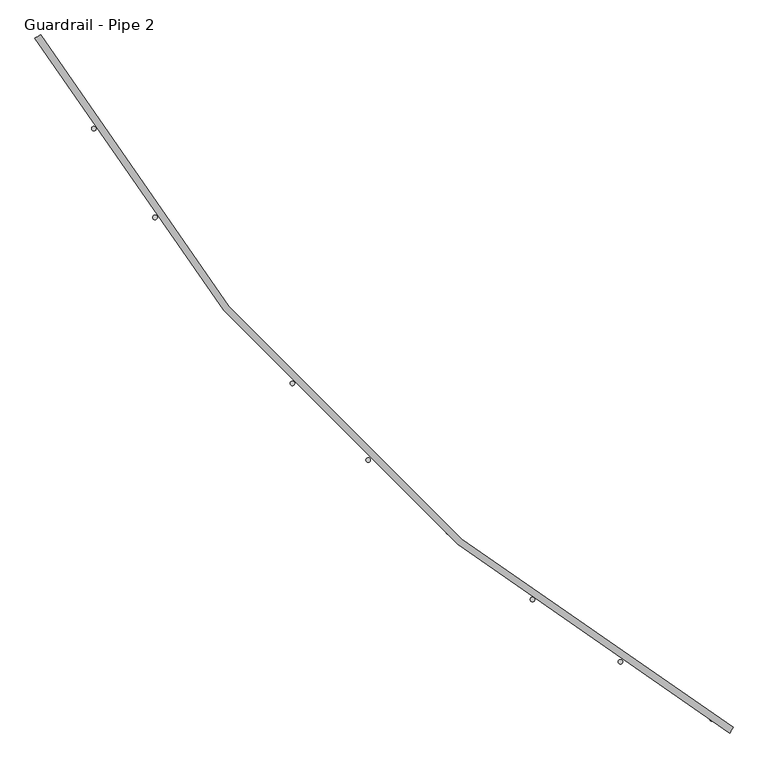
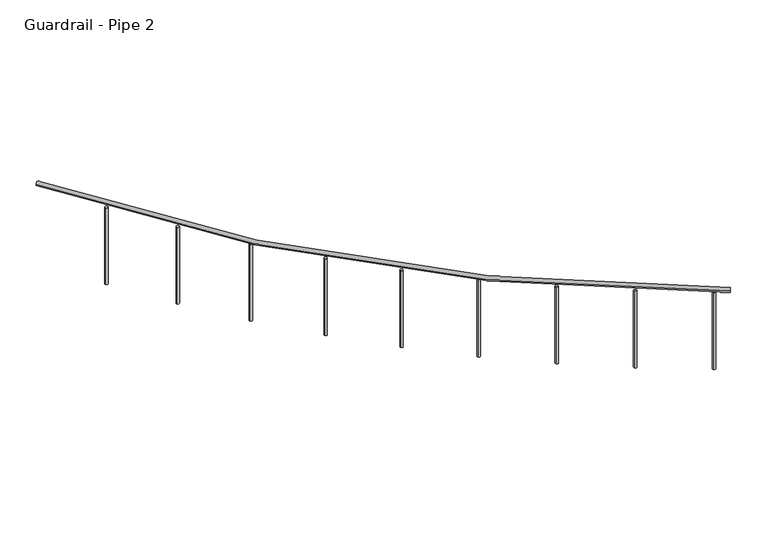
"""IFC4 building model written with IfcOpenShell, lengths in millimetres: railing geometry, Guardrail - Pipe 2."""

from ifc_helpers import new_model, si_unit, point, frame, frame_2d, origin, place, context, project, spatial, circle_curve, ellipse_curve, trimmed, segment, composite_curve, outline, extrude, source, transform, mapped, element, save
from ifc_brep_helpers import plane_surface, revolved_surface, advanced_brep


def guardrail_pipe_2_754d4e25(model_context):
    return source(origin(), model_context, "Body", "SolidModel", [
        advanced_brep(
        [(187463.6469043, -398908.6815234, 5518.15), (183534.5519665, -394979.5865857, 5518.15), (183567.6815603, -394960.7706346, 5518.15), (187482.4628553, -398875.5519296, 5518.15)],
        [
            (0, 1, circle_curve(frame((192628.6254676, -389814.6080223, 5518.15), z_axis=(0.0, 0.0, -1.0), x_axis=(-0.8695431446408594, -0.4938569829496041, 0.0)), 10458.45)),
            (1, 2, circle_curve(frame((183551.1167634, -394970.1786101, 5518.15), z_axis=(0.49385698294961566, -0.8695431446408528, 0.0), x_axis=(0.8695431446408528, 0.49385698294961566, 0.0)), 19.05)),
            (2, 3, circle_curve(frame((192628.6254676, -389814.6080223, 5518.15), z_axis=(0.0, 0.0, 1.0), x_axis=(-0.8695431446408594, -0.4938569829496041, 0.0)), 10420.35)),
            (3, 0, circle_curve(frame((187473.0548798, -398892.1167265, 5518.15), z_axis=(-0.8695431446408659, 0.49385698294959285, 0.0), x_axis=(0.49385698294959285, 0.8695431446408659, 0.0)), 19.05)),
            (2, 1, circle_curve(frame((183551.1167634, -394970.1786101, 5518.15), z_axis=(0.4938569829496099, -0.869543144640856, 0.0), x_axis=(0.869543144640856, 0.4938569829496099, 0.0)), 19.05)),
            (0, 3, circle_curve(frame((187473.0548798, -398892.1167265, 5518.15), z_axis=(-0.869543144640867, 0.4938569829495904, 0.0), x_axis=(0.4938569829495904, 0.869543144640867, 0.0)), 19.05)),
        ],
        [
            revolved_surface(trimmed(ellipse_curve(frame((183551.1167634, -394970.1786101, 5518.15), z_axis=(-0.4938569829496041, 0.8695431446408594, 0.0), x_axis=(0.8695431446408594, 0.4938569829496041, 0.0)), 19.05, 19.05), [point((183567.6815603, -394960.7706346, 5518.15))], [point((183534.5519665, -394979.5865857, 5518.15))], True, "CARTESIAN"), (192628.6254676, -389814.6080223, 5537.2), (0.0, 0.0, 1.0)),
            revolved_surface(trimmed(ellipse_curve(frame((183551.1167634, -394970.1786101, 5518.15), z_axis=(-0.4938569829496041, 0.8695431446408594, 0.0), x_axis=(0.8695431446408594, 0.4938569829496041, 0.0)), 19.05, 19.05), [point((183534.5519665, -394979.5865857, 5518.15))], [point((183567.6815603, -394960.7706346, 5518.15))], True, "CARTESIAN"), (192628.6254676, -389814.6080223, 5537.2), (0.0, 0.0, 1.0)),
            plane_surface(frame((183551.1167634, -394970.1786101, 5537.2), z_axis=(-0.4938569829496041, 0.8695431446408594, 0.0), x_axis=(0.8695431446408594, 0.4938569829496041, 0.0))),
            plane_surface(frame((187473.0548798, -398892.1167265, 5537.2), z_axis=(0.8695431446408617, -0.4938569829496002, 0.0), x_axis=(0.4938569829496002, 0.8695431446408617, 0.0))),
        ],
        [
            (0, [[1, 2, 3, 4]]),
            (1, [[-3, 5, -1, 6]]),
            (2, [[-5, -2]]),
            (3, [[-4, -6]]),
        ],
    ),
        extrude(outline(composite_curve([segment(trimmed(circle_curve(frame_2d((187362.6127017, -398828.4963015)), 12.7), [point((187356.2063602, -398839.4621024))], [point((187369.0190433, -398817.5305007))], False, "CARTESIAN"), True, "CONTINUOUS"), segment(trimmed(circle_curve(frame_2d((187362.6127017, -398828.4963015)), 12.7), [point((187369.0190433, -398817.5305007))], [point((187356.2063602, -398839.4621024))], False, "CARTESIAN"), True, "CONTINUOUS")], self_intersect=False)), frame((0.0, 0.0, 4775.2), z_axis=(0.0, 0.0, 1.0), x_axis=(1.0, 0.0, 0.0)), (0.0, 0.0, 1.0), 723.9),
        extrude(outline(composite_curve([segment(trimmed(circle_curve(frame_2d((186845.529027, -398505.8028722)), 12.7), [point((186838.4936299, -398516.376102))], [point((186852.5644241, -398495.2296425))], False, "CARTESIAN"), True, "CONTINUOUS"), segment(trimmed(circle_curve(frame_2d((186845.529027, -398505.8028722)), 12.7), [point((186852.5644241, -398495.2296425))], [point((186838.4936299, -398516.376102))], False, "CARTESIAN"), True, "CONTINUOUS")], self_intersect=False)), frame((0.0, 0.0, 4775.2), z_axis=(0.0, 0.0, 1.0), x_axis=(1.0, 0.0, 0.0)), (0.0, 0.0, 1.0), 723.9),
        extrude(outline(composite_curve([segment(trimmed(circle_curve(frame_2d((186348.1594027, -398153.4819492)), 12.7), [point((186340.518933, -398163.6265647))], [point((186355.7998724, -398143.3373337))], False, "CARTESIAN"), True, "CONTINUOUS"), segment(trimmed(circle_curve(frame_2d((186348.1594027, -398153.4819492)), 12.7), [point((186355.7998724, -398143.3373337))], [point((186340.518933, -398163.6265647))], False, "CARTESIAN"), True, "CONTINUOUS")], self_intersect=False)), frame((0.0, 0.0, 4775.2), z_axis=(0.0, 0.0, 1.0), x_axis=(1.0, 0.0, 0.0)), (0.0, 0.0, 1.0), 723.9),
        extrude(outline(composite_curve([segment(trimmed(circle_curve(frame_2d((185872.1993167, -397772.7345624)), 12.7), [point((185863.9798202, -397782.4159815))], [point((185880.4188133, -397763.0531432))], False, "CARTESIAN"), True, "CONTINUOUS"), segment(trimmed(circle_curve(frame_2d((185872.1993167, -397772.7345624)), 12.7), [point((185880.4188133, -397763.0531432))], [point((185863.9798202, -397782.4159815))], False, "CARTESIAN"), True, "CONTINUOUS")], self_intersect=False)), frame((0.0, 0.0, 4775.2), z_axis=(0.0, 0.0, 1.0), x_axis=(1.0, 0.0, 0.0)), (0.0, 0.0, 1.0), 723.9),
        extrude(outline(composite_curve([segment(trimmed(circle_curve(frame_2d((185419.2712737, -397364.8586452)), 12.7), [point((185410.5007699, -397374.0438649))], [point((185428.0417776, -397355.6734254))], False, "CARTESIAN"), True, "CONTINUOUS"), segment(trimmed(circle_curve(frame_2d((185419.2712737, -397364.8586452)), 12.7), [point((185428.0417776, -397355.6734254))], [point((185410.5007699, -397374.0438649))], False, "CARTESIAN"), True, "CONTINUOUS")], self_intersect=False)), frame((0.0, 0.0, 4775.2), z_axis=(0.0, 0.0, 1.0), x_axis=(1.0, 0.0, 0.0)), (0.0, 0.0, 1.0), 723.9),
        extrude(outline(composite_curve([segment(trimmed(circle_curve(frame_2d((184990.9192643, -396931.2446094)), 12.7), [point((184981.6276509, -396939.9023181))], [point((185000.2108777, -396922.5869006))], False, "CARTESIAN"), True, "CONTINUOUS"), segment(trimmed(circle_curve(frame_2d((184990.9192643, -396931.2446094)), 12.7), [point((185000.2108777, -396922.5869006))], [point((184981.6276509, -396939.9023181))], False, "CARTESIAN"), True, "CONTINUOUS")], self_intersect=False)), frame((0.0, 0.0, 4775.2), z_axis=(0.0, 0.0, 1.0), x_axis=(1.0, 0.0, 0.0)), (0.0, 0.0, 1.0), 723.9),
        extrude(outline(composite_curve([segment(trimmed(circle_curve(frame_2d((184588.6035015, -396473.370606)), 12.7), [point((184578.8224529, -396481.4712904))], [point((184598.3845502, -396465.2699216))], False, "CARTESIAN"), True, "CONTINUOUS"), segment(trimmed(circle_curve(frame_2d((184588.6035015, -396473.370606)), 12.7), [point((184598.3845502, -396465.2699216))], [point((184578.8224529, -396481.4712904))], False, "CARTESIAN"), True, "CONTINUOUS")], self_intersect=False)), frame((0.0, 0.0, 4775.2), z_axis=(0.0, 0.0, 1.0), x_axis=(1.0, 0.0, 0.0)), (0.0, 0.0, 1.0), 723.9),
        extrude(outline(composite_curve([segment(trimmed(circle_curve(frame_2d((184213.6954433, -395992.7974858)), 12.7), [point((184203.4583022, -396000.3135313))], [point((184223.9325844, -395985.2814402))], False, "CARTESIAN"), True, "CONTINUOUS"), segment(trimmed(circle_curve(frame_2d((184213.6954433, -395992.7974858)), 12.7), [point((184223.9325844, -395985.2814402))], [point((184203.4583022, -396000.3135313))], False, "CARTESIAN"), True, "CONTINUOUS")], self_intersect=False)), frame((0.0, 0.0, 4775.2), z_axis=(0.0, 0.0, 1.0), x_axis=(1.0, 0.0, 0.0)), (0.0, 0.0, 1.0), 723.9),
        extrude(outline(composite_curve([segment(trimmed(circle_curve(frame_2d((183867.4731171, -395491.1634789)), 12.7), [point((183856.8147809, -395498.0692641))], [point((183878.1314533, -395484.2576937))], False, "CARTESIAN"), True, "CONTINUOUS"), segment(trimmed(circle_curve(frame_2d((183867.4731171, -395491.1634789)), 12.7), [point((183878.1314533, -395484.2576937))], [point((183856.8147809, -395498.0692641))], False, "CARTESIAN"), True, "CONTINUOUS")], self_intersect=False)), frame((0.0, 0.0, 4775.2), z_axis=(0.0, 0.0, 1.0), x_axis=(1.0, 0.0, 0.0)), (0.0, 0.0, 1.0), 723.9),
    ])


if __name__ == "__main__":
    model = new_model("IFC4")
    model_context = context("Model", 3, world=origin())
    ifc_project = project(units=[si_unit("LENGTHUNIT", "METRE", prefix="MILLI")], contexts=[model_context])
    site = spatial("IfcSite", under=ifc_project)
    building = spatial("IfcBuilding", under=site)
    placement = place(None, origin())
    guardrail_pipe_2_shape = guardrail_pipe_2_754d4e25(model_context)
    element("IfcRailing", 1, ObjectType="Guardrail - Pipe 2", at=placement, inside=building, context=model_context, shape_type="MappedRepresentation", body=[
        mapped(guardrail_pipe_2_shape, transform((0.0, 0.0, 0.0), x_axis=(1.0, 0.0, 0.0), y_axis=(0.0, 1.0, 0.0), z_axis=(0.0, 0.0, 1.0))),
    ])
    save(model, "model.ifc")
